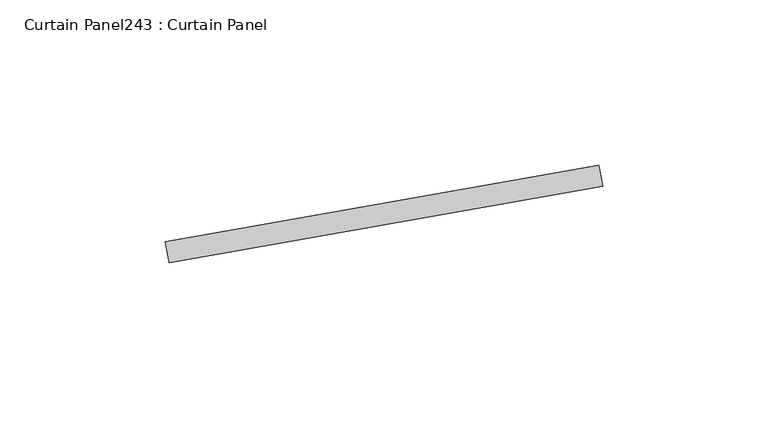
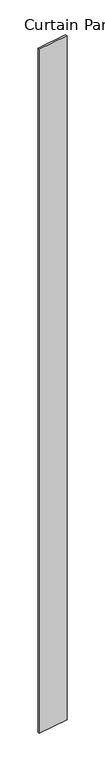
"""IFC4 building model written with IfcOpenShell, lengths in millimetres: plate geometry, Curtain Panel243 : Curtain Panel."""

from ifc_helpers import new_model, si_unit, frame, origin, place, context, project, spatial, polyline, outline, extrude, source, transform, mapped, element, save


def curtain_panel243_curtain_panel_4ddc9e8b(model_context):
    return source(origin(), model_context, "Body", "SweptSolid", [
        extrude(outline(polyline([(650290.8486956, 2090.9353601), (650421.8779662, 2114.0393558), (650422.9806322, 2107.7858266), (650291.9513615, 2084.6818309), (650290.8486956, 2090.9353601)])), frame((0.0, 0.0, 4959.7989371), z_axis=(0.0, 0.0, 1.0), x_axis=(1.0, 0.0, 0.0)), (0.0, 0.0, 1.0), 3048.0),
    ])


if __name__ == "__main__":
    model = new_model("IFC4")
    model_context = context("Model", 3, world=origin())
    ifc_project = project(units=[si_unit("LENGTHUNIT", "METRE", prefix="MILLI")], contexts=[model_context])
    site = spatial("IfcSite", under=ifc_project)
    building = spatial("IfcBuilding", under=site)
    placement = place(None, origin())
    curtain_panel243_curtain_panel_shape = curtain_panel243_curtain_panel_4ddc9e8b(model_context)
    element("IfcPlate", 1, ObjectType="Curtain Panel243 : Curtain Panel", at=placement, inside=building, context=model_context, shape_type="MappedRepresentation", body=[
        mapped(curtain_panel243_curtain_panel_shape, transform((0.0, 0.0, 0.0), x_axis=(1.0, 0.0, 0.0), y_axis=(0.0, 1.0, 0.0), z_axis=(0.0, 0.0, 1.0))),
    ])
    save(model, "model.ifc")
